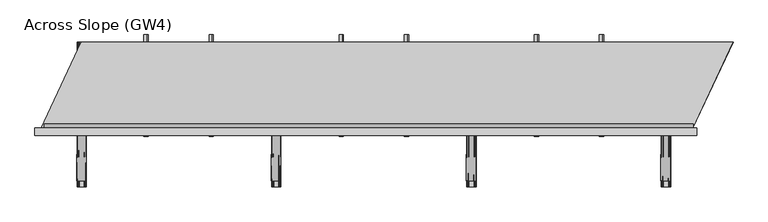
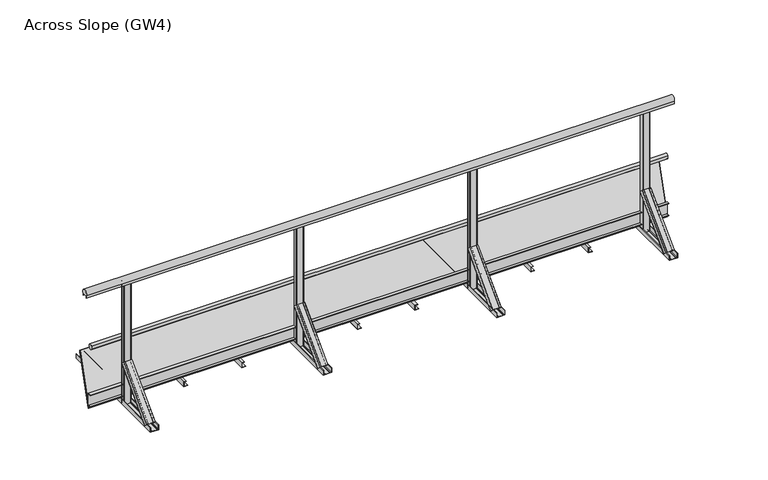
"""IFC4 building model written with IfcOpenShell, lengths in millimetres: proxy geometry, Across Slope (GW4)."""

from ifc_helpers import new_model, si_unit, point, frame, frame_2d, origin, origin_with_axes, place, context, project, spatial, polyline, circle_curve, trimmed, segment, composite_curve, outline, extrude, source, transform, mapped, element, save
from ifc_brep_helpers import plane_surface, extruded_surface, advanced_brep


def across_slope_gw4_910c336f(model_context):
    return source(origin(), model_context, "Body", "SolidModel", [
        extrude(outline(polyline([(-622.0, 63.0), (-622.0, 66.0), (-600.0, 66.0), (-600.0, 160.0), (-622.0, 160.0), (-622.0, 163.0), (-597.0, 163.0), (-597.0, 63.0), (-622.0, 63.0)])), frame((0.0, 0.0, 0.0), z_axis=(1.0, 0.0, 0.0), x_axis=(0.0, 1.0, 0.0)), (0.0, 0.0, 1.0), 4489.1400263),
        extrude(outline(polyline([(2e-07, 3878.0133567), (2.0000002, 3878.0133567), (2.0000002, 3850.0133567), (38.0000002, 3850.0133567), (38.0000002, 3868.0133567), (40.0000002, 3868.0133567), (40.0000002, 3848.0133567), (2e-07, 3848.0133567), (2e-07, 3878.0133567)])), frame((0.0, -650.0, 0.0), z_axis=(0.0, 1.0, 0.0), x_axis=(0.0, 0.0, 1.0)), (0.0, 0.0, 1.0), 700.0),
        extrude(outline(polyline([(2e-07, 3429.8866871), (2.0000002, 3429.8866871), (2.0000002, 3401.8866871), (38.0000002, 3401.8866871), (38.0000002, 3419.8866871), (40.0000002, 3419.8866871), (40.0000002, 3399.8866871), (2e-07, 3399.8866871), (2e-07, 3429.8866871)])), frame((0.0, -650.0, 0.0), z_axis=(0.0, 1.0, 0.0), x_axis=(0.0, 0.0, 1.0)), (0.0, 0.0, 1.0), 700.0),
        extrude(outline(composite_curve([segment(trimmed(circle_curve(frame_2d((-584.287505, 528.0)), 20.0), [point((-565.7, 520.617273))], [point((-600.0, 515.6259343))], False, "CARTESIAN"), True, "CONTINUOUS"), segment(polyline([(-600.0, 515.6259343), (-600.0, 540.3740657)]), True, "CONTINUOUS"), segment(trimmed(circle_curve(frame_2d((-584.287505, 528.0)), 20.0), [point((-600.0, 540.3740657))], [point((-565.7, 535.382727))], False, "CARTESIAN"), True, "CONTINUOUS"), segment(polyline([(-565.7, 535.382727), (-569.7, 535.382727), (-569.7, 520.617273), (-565.7, 520.617273)]), True, "CONTINUOUS")], self_intersect=False)), frame((25.0, 0.0, 0.0), z_axis=(1.0, 0.0, 0.0), x_axis=(0.0, 1.0, 0.0)), (0.0, 0.0, 1.0), 4469.1400263),
        extrude(outline(composite_curve([segment(trimmed(circle_curve(frame_2d((-619.0, 1015.0)), 25.0), [point((-640.0, 1001.43534))], [point((-598.0, 1001.43534))], False, "CARTESIAN"), True, "CONTINUOUS"), segment(polyline([(-598.0, 1001.43534), (-598.0, 983.0), (-599.0, 983.0), (-599.0, 998.0), (-639.0, 998.0), (-639.0, 983.0), (-640.0, 983.0), (-640.0, 1001.43534)]), True, "CONTINUOUS")], self_intersect=False)), frame((-40.0, 0.0, 0.0), z_axis=(1.0, 0.0, 0.0), x_axis=(0.0, 1.0, 0.0)), (0.0, 0.0, 1.0), 4559.1400263),
        extrude(outline(polyline([(2e-07, 2533.6333479), (2.0000002, 2533.6333479), (2.0000002, 2505.6333479), (38.0000002, 2505.6333479), (38.0000002, 2523.6333479), (40.0000002, 2523.6333479), (40.0000002, 2503.6333479), (2e-07, 2503.6333479), (2e-07, 2533.6333479)])), frame((0.0, -650.0, 0.0), z_axis=(0.0, 1.0, 0.0), x_axis=(0.0, 0.0, 1.0)), (0.0, 0.0, 1.0), 700.0),
        extrude(outline(polyline([(2e-07, 2085.5066783), (2.0000002, 2085.5066783), (2.0000002, 2057.5066783), (38.0000002, 2057.5066783), (38.0000002, 2075.5066783), (40.0000002, 2075.5066783), (40.0000002, 2055.5066783), (2e-07, 2055.5066783), (2e-07, 2085.5066783)])), frame((0.0, -650.0, 0.0), z_axis=(0.0, 1.0, 0.0), x_axis=(0.0, 0.0, 1.0)), (0.0, 0.0, 1.0), 700.0),
        extrude(outline(polyline([(2e-07, 1189.2533392), (2.0000002, 1189.2533392), (2.0000002, 1161.2533392), (38.0000002, 1161.2533392), (38.0000002, 1179.2533392), (40.0000002, 1179.2533392), (40.0000002, 1159.2533392), (2e-07, 1159.2533392), (2e-07, 1189.2533392)])), frame((0.0, -650.0, 0.0), z_axis=(0.0, 1.0, 0.0), x_axis=(0.0, 0.0, 1.0)), (0.0, 0.0, 1.0), 700.0),
        extrude(outline(polyline([(2e-07, 741.1266696), (2.0000002, 741.1266696), (2.0000002, 713.1266696), (38.0000002, 713.1266696), (38.0000002, 731.1266696), (40.0000002, 731.1266696), (40.0000002, 711.1266696), (2e-07, 711.1266696), (2e-07, 741.1266696)])), frame((0.0, -650.0, 0.0), z_axis=(0.0, 1.0, 0.0), x_axis=(0.0, 0.0, 1.0)), (0.0, 0.0, 1.0), 700.0),
        extrude(outline(composite_curve([segment(trimmed(circle_curve(frame_2d((2989.7600175, -605.0)), 5.0), [point((2989.7600175, -600.0))], [point((2994.7600175, -605.0))], False, "CARTESIAN"), True, "CONTINUOUS"), segment(polyline([(2994.7600175, -605.0), (2994.7600175, -633.0)]), True, "CONTINUOUS"), segment(trimmed(circle_curve(frame_2d((2989.7600175, -633.0)), 5.0), [point((2994.7600175, -633.0))], [point((2989.7600175, -638.0))], False, "CARTESIAN"), True, "CONTINUOUS"), segment(polyline([(2989.7600175, -638.0), (2943.7600175, -638.0)]), True, "CONTINUOUS"), segment(trimmed(circle_curve(frame_2d((2943.7600175, -633.0)), 5.0), [point((2943.7600175, -638.0))], [point((2938.7600175, -633.0))], False, "CARTESIAN"), True, "CONTINUOUS"), segment(polyline([(2938.7600175, -633.0), (2938.7600175, -605.0)]), True, "CONTINUOUS"), segment(trimmed(circle_curve(frame_2d((2943.7600175, -605.0)), 5.0), [point((2938.7600175, -605.0))], [point((2943.7600175, -600.0))], False, "CARTESIAN"), True, "CONTINUOUS"), segment(polyline([(2943.7600175, -600.0), (2989.7600175, -600.0)]), True, "CONTINUOUS")], self_intersect=False)), frame((0.0, 0.0, 2e-07), z_axis=(0.0, 0.0, 1.0), x_axis=(1.0, 0.0, 0.0)), (0.0, 0.0, 1.0), 998.0),
        advanced_brep(
        [(2931.2600175, -956.2087394, 38.0000002), (2931.2600175, -930.3993419, 12.1906027), (2934.2600175, -930.3993419, 12.1906027), (2934.2600175, -954.0874191, 35.8786799), (2944.2600175, -954.0874191, 35.8786799), (2944.2600175, -952.3196521, 34.110913), (2945.2600175, -952.3196521, 34.110913), (2945.2600175, -954.0874191, 35.8786799), (2982.2600175, -954.0874191, 35.8786799), (2982.2600175, -952.3196521, 34.110913), (2983.2600175, -952.3196521, 34.110913), (2983.2600175, -954.0874191, 35.8786799), (2993.2600175, -954.0874191, 35.8786799), (2993.2600175, -930.3993419, 12.1906027), (2996.2600175, -930.3993419, 12.1906027), (2996.2600175, -956.2087394, 38.0000002), (2934.2600175, -638.0106879, 356.1980518), (2999.2600175, -638.0106879, 356.1980518), (2999.2600175, -612.2012904, 330.3886543), (2996.2600175, -612.2012904, 330.3886543), (2996.2600175, -635.8893676, 354.0767314), (2986.2600175, -635.8893676, 354.0767314), (2986.2600175, -634.1216006, 352.3089645), (2985.2600175, -634.1216006, 352.3089645), (2985.2600175, -635.8893676, 354.0767314), (2948.2600175, -635.8893676, 354.0767314), (2948.2600175, -634.1216006, 352.3089645), (2947.2600175, -634.1216006, 352.3089645), (2947.2600175, -635.8893676, 354.0767314), (2937.2600175, -635.8893676, 354.0767314), (2937.2600175, -612.2012904, 330.3886543), (2934.2600175, -612.2012904, 330.3886543)],
        [
            (0, 1),
            (1, 2, circle_curve(frame((2932.7600175, -930.3993419, 12.1906027), z_axis=(0.0, -0.7071067811865434, -0.7071067811865518), x_axis=(0.0, 0.7071067811865518, -0.7071067811865434)), 1.5)),
            (2, 3),
            (3, 4),
            (4, 5),
            (5, 6, circle_curve(frame((2944.7600175, -952.3196521, 34.110913), z_axis=(0.0, -0.7071067811865434, -0.7071067811865518), x_axis=(0.0, 0.7071067811865518, -0.7071067811865434)), 0.5)),
            (6, 7),
            (7, 8),
            (8, 9),
            (9, 10, circle_curve(frame((2982.7600175, -952.3196521, 34.110913), z_axis=(0.0, -0.7071067811865434, -0.7071067811865518), x_axis=(0.0, 0.7071067811865518, -0.7071067811865434)), 0.5)),
            (10, 11),
            (11, 12),
            (12, 13),
            (13, 14, circle_curve(frame((2994.7600175, -930.3993419, 12.1906027), z_axis=(0.0, -0.7071067811865434, -0.7071067811865518), x_axis=(0.0, 0.7071067811865518, -0.7071067811865434)), 1.5)),
            (14, 15),
            (15, 0),
            (16, 17),
            (17, 18),
            (18, 19, circle_curve(frame((2997.7600175, -612.2012904, 330.3886543), z_axis=(0.0, 0.7071067811865434, 0.7071067811865518), x_axis=(0.0, 0.7071067811865518, -0.7071067811865434)), 1.5)),
            (19, 20),
            (20, 21),
            (21, 22),
            (22, 23, circle_curve(frame((2985.7600175, -634.1216006, 352.3089645), z_axis=(0.0, 0.7071067811865434, 0.7071067811865518), x_axis=(0.0, 0.7071067811865518, -0.7071067811865434)), 0.5)),
            (23, 24),
            (24, 25),
            (25, 26),
            (26, 27, circle_curve(frame((2947.7600175, -634.1216006, 352.3089645), z_axis=(0.0, 0.7071067811865434, 0.7071067811865518), x_axis=(0.0, 0.7071067811865518, -0.7071067811865434)), 0.5)),
            (27, 28),
            (28, 29),
            (29, 30),
            (30, 31, circle_curve(frame((2935.7600175, -612.2012904, 330.3886543), z_axis=(0.0, 0.7071067811865434, 0.7071067811865518), x_axis=(0.0, 0.7071067811865518, -0.7071067811865434)), 1.5)),
            (31, 16),
            (31, 1),
            (0, 16),
            (30, 2),
            (29, 3),
            (28, 4),
            (27, 5),
            (26, 6),
            (25, 7),
            (24, 8),
            (23, 9),
            (22, 10),
            (21, 11),
            (20, 12),
            (19, 13),
            (18, 14),
            (17, 15),
        ],
        [
            plane_surface(frame((2963.7600175, -947.9886231, 29.7798839), z_axis=(0.0, -0.7071067811865431, -0.7071067811865519), x_axis=(0.0, 0.7071067811865519, -0.7071067811865431))),
            plane_surface(frame((2966.7600175, -629.7905716, 347.9779354), z_axis=(0.0, 0.7071067811865432, 0.7071067811865518), x_axis=(0.0, 0.7071067811865518, -0.7071067811865432))),
            plane_surface(frame((2934.2600175, -625.1059891, 343.293353), z_axis=(-0.9999777785184911, 0.004713940454842056, 0.00471394045484199), x_axis=(0.0, 0.7071067811865519, -0.7071067811865431))),
            extruded_surface(trimmed(circle_curve(frame((2935.7600175, -612.2012904, 330.3886543), z_axis=(0.0, -0.7071067811865434, -0.7071067811865518), x_axis=(0.0, 0.7071067811865518, -0.7071067811865434)), 1.5), [point((2934.2600175, -612.2012904, 330.3886543))], [point((2937.2600175, -612.2012904, 330.3886543))], True, "CARTESIAN"), (-3.0, -318.1980515, -318.1980516), 450.0099999115941),
            plane_surface(frame((2937.2600175, -624.045329, 342.2326929), z_axis=(0.9999777785184913, -0.004713940454842056, -0.004713940454841989), x_axis=(0.0, -0.707106781186552, 0.7071067811865432))),
            plane_surface(frame((2942.2600175, -635.8893676, 354.0767314), z_axis=(0.0, 0.7071067811865522, -0.7071067811865428), x_axis=(1.0, 0.0, 0.0))),
            plane_surface(frame((2947.2600175, -635.0054841, 353.192848), z_axis=(-0.9999777785184911, 0.004713940454842032, 0.004713940454842015), x_axis=(0.0, 0.7071067811865557, -0.7071067811865394))),
            extruded_surface(trimmed(circle_curve(frame((2947.7600175, -634.1216006, 352.3089645), z_axis=(0.0, -0.7071067811865434, -0.7071067811865518), x_axis=(0.0, 0.7071067811865518, -0.7071067811865434)), 0.5), [point((2947.2600175, -634.1216006, 352.3089645))], [point((2948.2600175, -634.1216006, 352.3089645))], True, "CARTESIAN"), (-3.0, -318.1980515, -318.1980515), 450.00999984088503),
            plane_surface(frame((2948.2600175, -635.0054841, 353.192848), z_axis=(0.9999777785184911, -0.004713940454842046, -0.004713940454842029), x_axis=(0.0, -0.7071067811865557, 0.7071067811865394))),
            plane_surface(frame((2966.7600175, -635.8893676, 354.0767314), z_axis=(0.0, 0.7071067811865522, -0.7071067811865428), x_axis=(1.0, 0.0, 0.0))),
            plane_surface(frame((2985.2600175, -635.0054841, 353.192848), z_axis=(-0.9999777785184911, 0.004713940454842039, 0.004713940454842022), x_axis=(0.0, 0.7071067811865557, -0.7071067811865394))),
            extruded_surface(trimmed(circle_curve(frame((2985.7600175, -634.1216006, 352.3089645), z_axis=(0.0, -0.7071067811865434, -0.7071067811865518), x_axis=(0.0, 0.7071067811865518, -0.7071067811865434)), 0.5), [point((2985.2600175, -634.1216006, 352.3089645))], [point((2986.2600175, -634.1216006, 352.3089645))], True, "CARTESIAN"), (-3.0, -318.1980515, -318.1980515), 450.00999984088503),
            plane_surface(frame((2986.2600175, -635.0054841, 353.192848), z_axis=(0.9999777785184911, -0.004713940454842066, -0.004713940454841993), x_axis=(0.0, -0.7071067811865515, 0.7071067811865436))),
            plane_surface(frame((2991.2600175, -635.8893676, 354.0767314), z_axis=(0.0, 0.707106781186552, -0.707106781186543), x_axis=(1.0, 0.0, 0.0))),
            plane_surface(frame((2996.2600175, -624.045329, 342.2326929), z_axis=(-0.9999777785184913, 0.004713940454842063, 0.004713940454841996), x_axis=(0.0, 0.707106781186552, -0.7071067811865432))),
            extruded_surface(trimmed(circle_curve(frame((2997.7600175, -612.2012904, 330.3886543), z_axis=(0.0, -0.7071067811865434, -0.7071067811865518), x_axis=(0.0, 0.7071067811865518, -0.7071067811865434)), 1.5), [point((2996.2600175, -612.2012904, 330.3886543))], [point((2999.2600175, -612.2012904, 330.3886543))], True, "CARTESIAN"), (-3.0, -318.1980515, -318.1980516), 450.0099999115941),
            plane_surface(frame((2999.2600175, -625.1059891, 343.293353), z_axis=(0.9999777785184911, -0.004713940454842065, -0.0047139404548419955), x_axis=(0.0, -0.7071067811865517, 0.7071067811865434))),
            plane_surface(frame((2966.7600175, -638.0106879, 356.1980518), z_axis=(0.0, -0.7071067811865523, 0.7071067811865427), x_axis=(-1.0, 0.0, 0.0))),
        ],
        [
            (0, [[1, 2, 3, 4, 5, 6, 7, 8, 9, 10, 11, 12, 13, 14, 15, 16]]),
            (1, [[17, 18, 19, 20, 21, 22, 23, 24, 25, 26, 27, 28, 29, 30, 31, 32]]),
            (2, [[-32, 33, -1, 34]]),
            (3, [[-31, 35, -2, -33]]),
            (4, [[-30, 36, -3, -35]]),
            (5, [[-29, 37, -4, -36]]),
            (6, [[-28, 38, -5, -37]]),
            (7, [[-27, 39, -6, -38]]),
            (8, [[-26, 40, -7, -39]]),
            (9, [[-25, 41, -8, -40]]),
            (10, [[-24, 42, -9, -41]]),
            (11, [[-23, 43, -10, -42]]),
            (12, [[-22, 44, -11, -43]]),
            (13, [[-21, 45, -12, -44]]),
            (14, [[-20, 46, -13, -45]]),
            (15, [[-19, 47, -14, -46]]),
            (16, [[-18, 48, -15, -47]]),
            (17, [[-17, -34, -16, -48]]),
        ],
    ),
        extrude(outline(composite_curve([segment(polyline([(2e-07, 2934.2600175), (2e-07, 2999.2600175), (36.5000002, 2999.2600175)]), True, "CONTINUOUS"), segment(trimmed(circle_curve(frame_2d((36.5000002, 2997.7600175)), 1.5), [point((36.5000002, 2999.2600175))], [point((36.5000002, 2996.2600175))], False, "CARTESIAN"), True, "CONTINUOUS"), segment(polyline([(36.5000002, 2996.2600175), (3.0000002, 2996.2600175), (3.0000002, 2986.2600175), (5.5000002, 2986.2600175)]), True, "CONTINUOUS"), segment(trimmed(circle_curve(frame_2d((5.5000002, 2985.7600175)), 0.5), [point((5.5000002, 2986.2600175))], [point((5.5000002, 2985.2600175))], False, "CARTESIAN"), True, "CONTINUOUS"), segment(polyline([(5.5000002, 2985.2600175), (3.0000002, 2985.2600175), (3.0000002, 2948.2600175), (5.5000002, 2948.2600175)]), True, "CONTINUOUS"), segment(trimmed(circle_curve(frame_2d((5.5000002, 2947.7600175)), 0.5), [point((5.5000002, 2948.2600175))], [point((5.5000002, 2947.2600175))], False, "CARTESIAN"), True, "CONTINUOUS"), segment(polyline([(5.5000002, 2947.2600175), (3.0000002, 2947.2600175), (3.0000002, 2937.2600175), (36.5000002, 2937.2600175)]), True, "CONTINUOUS"), segment(trimmed(circle_curve(frame_2d((36.5000002, 2935.7600175)), 1.5), [point((36.5000002, 2937.2600175))], [point((36.5000002, 2934.2600175))], False, "CARTESIAN"), True, "CONTINUOUS"), segment(polyline([(36.5000002, 2934.2600175), (2e-07, 2934.2600175)]), True, "CONTINUOUS")], self_intersect=False)), frame((0.0, -1000.0, 0.0), z_axis=(0.0, 1.0, 0.0), x_axis=(0.0, 0.0, 1.0)), (0.0, 0.0, 1.0), 1000.0),
        extrude(outline(composite_curve([segment(trimmed(circle_curve(frame_2d((1645.3800088, -605.0)), 5.0), [point((1645.3800088, -600.0))], [point((1650.3800088, -605.0))], False, "CARTESIAN"), True, "CONTINUOUS"), segment(polyline([(1650.3800088, -605.0), (1650.3800088, -633.0)]), True, "CONTINUOUS"), segment(trimmed(circle_curve(frame_2d((1645.3800088, -633.0)), 5.0), [point((1650.3800088, -633.0))], [point((1645.3800088, -638.0))], False, "CARTESIAN"), True, "CONTINUOUS"), segment(polyline([(1645.3800088, -638.0), (1599.3800088, -638.0)]), True, "CONTINUOUS"), segment(trimmed(circle_curve(frame_2d((1599.3800088, -633.0)), 5.0), [point((1599.3800088, -638.0))], [point((1594.3800088, -633.0))], False, "CARTESIAN"), True, "CONTINUOUS"), segment(polyline([(1594.3800088, -633.0), (1594.3800088, -605.0)]), True, "CONTINUOUS"), segment(trimmed(circle_curve(frame_2d((1599.3800088, -605.0)), 5.0), [point((1594.3800088, -605.0))], [point((1599.3800088, -600.0))], False, "CARTESIAN"), True, "CONTINUOUS"), segment(polyline([(1599.3800088, -600.0), (1645.3800088, -600.0)]), True, "CONTINUOUS")], self_intersect=False)), frame((0.0, 0.0, 2e-07), z_axis=(0.0, 0.0, 1.0), x_axis=(1.0, 0.0, 0.0)), (0.0, 0.0, 1.0), 998.0),
        advanced_brep(
        [(1586.8800088, -956.2087394, 38.0000002), (1586.8800088, -930.3993419, 12.1906027), (1589.8800088, -930.3993419, 12.1906027), (1589.8800088, -954.0874191, 35.8786799), (1599.8800088, -954.0874191, 35.8786799), (1599.8800088, -952.3196521, 34.110913), (1600.8800088, -952.3196521, 34.110913), (1600.8800088, -954.0874191, 35.8786799), (1637.8800088, -954.0874191, 35.8786799), (1637.8800088, -952.3196521, 34.110913), (1638.8800088, -952.3196521, 34.110913), (1638.8800088, -954.0874191, 35.8786799), (1648.8800088, -954.0874191, 35.8786799), (1648.8800088, -930.3993419, 12.1906027), (1651.8800088, -930.3993419, 12.1906027), (1651.8800088, -956.2087394, 38.0000002), (1589.8800088, -638.0106879, 356.1980518), (1654.8800088, -638.0106879, 356.1980518), (1654.8800088, -612.2012904, 330.3886543), (1651.8800088, -612.2012904, 330.3886543), (1651.8800088, -635.8893676, 354.0767314), (1641.8800088, -635.8893676, 354.0767314), (1641.8800088, -634.1216006, 352.3089645), (1640.8800088, -634.1216006, 352.3089645), (1640.8800088, -635.8893676, 354.0767314), (1603.8800088, -635.8893676, 354.0767314), (1603.8800088, -634.1216006, 352.3089645), (1602.8800088, -634.1216006, 352.3089645), (1602.8800088, -635.8893676, 354.0767314), (1592.8800088, -635.8893676, 354.0767314), (1592.8800088, -612.2012904, 330.3886543), (1589.8800088, -612.2012904, 330.3886543)],
        [
            (0, 1),
            (1, 2, circle_curve(frame((1588.3800088, -930.3993419, 12.1906027), z_axis=(0.0, -0.7071067811865434, -0.7071067811865518), x_axis=(0.0, 0.7071067811865518, -0.7071067811865434)), 1.5)),
            (2, 3),
            (3, 4),
            (4, 5),
            (5, 6, circle_curve(frame((1600.3800088, -952.3196521, 34.110913), z_axis=(0.0, -0.7071067811865434, -0.7071067811865518), x_axis=(0.0, 0.7071067811865518, -0.7071067811865434)), 0.5)),
            (6, 7),
            (7, 8),
            (8, 9),
            (9, 10, circle_curve(frame((1638.3800088, -952.3196521, 34.110913), z_axis=(0.0, -0.7071067811865434, -0.7071067811865518), x_axis=(0.0, 0.7071067811865518, -0.7071067811865434)), 0.5)),
            (10, 11),
            (11, 12),
            (12, 13),
            (13, 14, circle_curve(frame((1650.3800088, -930.3993419, 12.1906027), z_axis=(0.0, -0.7071067811865434, -0.7071067811865518), x_axis=(0.0, 0.7071067811865518, -0.7071067811865434)), 1.5)),
            (14, 15),
            (15, 0),
            (16, 17),
            (17, 18),
            (18, 19, circle_curve(frame((1653.3800088, -612.2012904, 330.3886543), z_axis=(0.0, 0.7071067811865434, 0.7071067811865518), x_axis=(0.0, 0.7071067811865518, -0.7071067811865434)), 1.5)),
            (19, 20),
            (20, 21),
            (21, 22),
            (22, 23, circle_curve(frame((1641.3800088, -634.1216006, 352.3089645), z_axis=(0.0, 0.7071067811865434, 0.7071067811865518), x_axis=(0.0, 0.7071067811865518, -0.7071067811865434)), 0.5)),
            (23, 24),
            (24, 25),
            (25, 26),
            (26, 27, circle_curve(frame((1603.3800088, -634.1216006, 352.3089645), z_axis=(0.0, 0.7071067811865434, 0.7071067811865518), x_axis=(0.0, 0.7071067811865518, -0.7071067811865434)), 0.5)),
            (27, 28),
            (28, 29),
            (29, 30),
            (30, 31, circle_curve(frame((1591.3800088, -612.2012904, 330.3886543), z_axis=(0.0, 0.7071067811865434, 0.7071067811865518), x_axis=(0.0, 0.7071067811865518, -0.7071067811865434)), 1.5)),
            (31, 16),
            (31, 1),
            (0, 16),
            (30, 2),
            (29, 3),
            (28, 4),
            (27, 5),
            (26, 6),
            (25, 7),
            (24, 8),
            (23, 9),
            (22, 10),
            (21, 11),
            (20, 12),
            (19, 13),
            (18, 14),
            (17, 15),
        ],
        [
            plane_surface(frame((1619.3800088, -947.9886231, 29.7798839), z_axis=(0.0, -0.7071067811865431, -0.7071067811865519), x_axis=(0.0, 0.7071067811865519, -0.7071067811865431))),
            plane_surface(frame((1622.3800088, -629.7905716, 347.9779354), z_axis=(0.0, 0.7071067811865432, 0.7071067811865518), x_axis=(0.0, 0.7071067811865518, -0.7071067811865432))),
            plane_surface(frame((1589.8800088, -625.1059891, 343.293353), z_axis=(-0.9999777785184911, 0.004713940454842056, 0.00471394045484199), x_axis=(0.0, 0.7071067811865519, -0.7071067811865431))),
            extruded_surface(trimmed(circle_curve(frame((1591.3800088, -612.2012904, 330.3886543), z_axis=(0.0, -0.7071067811865434, -0.7071067811865518), x_axis=(0.0, 0.7071067811865518, -0.7071067811865434)), 1.5), [point((1589.8800088, -612.2012904, 330.3886543))], [point((1592.8800088, -612.2012904, 330.3886543))], True, "CARTESIAN"), (-3.0, -318.1980515, -318.1980516), 450.0099999115941),
            plane_surface(frame((1592.8800088, -624.045329, 342.2326929), z_axis=(0.9999777785184913, -0.004713940454842056, -0.004713940454841989), x_axis=(0.0, -0.707106781186552, 0.7071067811865432))),
            plane_surface(frame((1597.8800088, -635.8893676, 354.0767314), z_axis=(0.0, 0.7071067811865522, -0.7071067811865428), x_axis=(1.0, 0.0, 0.0))),
            plane_surface(frame((1602.8800088, -635.0054841, 353.192848), z_axis=(-0.9999777785184911, 0.004713940454842032, 0.004713940454842015), x_axis=(0.0, 0.7071067811865557, -0.7071067811865394))),
            extruded_surface(trimmed(circle_curve(frame((1603.3800088, -634.1216006, 352.3089645), z_axis=(0.0, -0.7071067811865434, -0.7071067811865518), x_axis=(0.0, 0.7071067811865518, -0.7071067811865434)), 0.5), [point((1602.8800088, -634.1216006, 352.3089645))], [point((1603.8800088, -634.1216006, 352.3089645))], True, "CARTESIAN"), (-3.0, -318.1980515, -318.1980515), 450.00999984088503),
            plane_surface(frame((1603.8800088, -635.0054841, 353.192848), z_axis=(0.9999777785184911, -0.004713940454842046, -0.004713940454842029), x_axis=(0.0, -0.7071067811865557, 0.7071067811865394))),
            plane_surface(frame((1622.3800088, -635.8893676, 354.0767314), z_axis=(0.0, 0.7071067811865522, -0.7071067811865428), x_axis=(1.0, 0.0, 0.0))),
            plane_surface(frame((1640.8800088, -635.0054841, 353.192848), z_axis=(-0.9999777785184911, 0.004713940454842039, 0.004713940454842022), x_axis=(0.0, 0.7071067811865557, -0.7071067811865394))),
            extruded_surface(trimmed(circle_curve(frame((1641.3800088, -634.1216006, 352.3089645), z_axis=(0.0, -0.7071067811865434, -0.7071067811865518), x_axis=(0.0, 0.7071067811865518, -0.7071067811865434)), 0.5), [point((1640.8800088, -634.1216006, 352.3089645))], [point((1641.8800088, -634.1216006, 352.3089645))], True, "CARTESIAN"), (-3.0, -318.1980515, -318.1980515), 450.00999984088503),
            plane_surface(frame((1641.8800088, -635.0054841, 353.192848), z_axis=(0.9999777785184911, -0.004713940454842066, -0.004713940454841993), x_axis=(0.0, -0.7071067811865515, 0.7071067811865436))),
            plane_surface(frame((1646.8800088, -635.8893676, 354.0767314), z_axis=(0.0, 0.707106781186552, -0.707106781186543), x_axis=(1.0, 0.0, 0.0))),
            plane_surface(frame((1651.8800088, -624.045329, 342.2326929), z_axis=(-0.9999777785184913, 0.004713940454842063, 0.004713940454841996), x_axis=(0.0, 0.707106781186552, -0.7071067811865432))),
            extruded_surface(trimmed(circle_curve(frame((1653.3800088, -612.2012904, 330.3886543), z_axis=(0.0, -0.7071067811865434, -0.7071067811865518), x_axis=(0.0, 0.7071067811865518, -0.7071067811865434)), 1.5), [point((1651.8800088, -612.2012904, 330.3886543))], [point((1654.8800088, -612.2012904, 330.3886543))], True, "CARTESIAN"), (-3.0, -318.1980515, -318.1980516), 450.0099999115941),
            plane_surface(frame((1654.8800088, -625.1059891, 343.293353), z_axis=(0.9999777785184911, -0.004713940454842065, -0.0047139404548419955), x_axis=(0.0, -0.7071067811865517, 0.7071067811865434))),
            plane_surface(frame((1622.3800088, -638.0106879, 356.1980518), z_axis=(0.0, -0.7071067811865523, 0.7071067811865427), x_axis=(-1.0, 0.0, 0.0))),
        ],
        [
            (0, [[1, 2, 3, 4, 5, 6, 7, 8, 9, 10, 11, 12, 13, 14, 15, 16]]),
            (1, [[17, 18, 19, 20, 21, 22, 23, 24, 25, 26, 27, 28, 29, 30, 31, 32]]),
            (2, [[-32, 33, -1, 34]]),
            (3, [[-31, 35, -2, -33]]),
            (4, [[-30, 36, -3, -35]]),
            (5, [[-29, 37, -4, -36]]),
            (6, [[-28, 38, -5, -37]]),
            (7, [[-27, 39, -6, -38]]),
            (8, [[-26, 40, -7, -39]]),
            (9, [[-25, 41, -8, -40]]),
            (10, [[-24, 42, -9, -41]]),
            (11, [[-23, 43, -10, -42]]),
            (12, [[-22, 44, -11, -43]]),
            (13, [[-21, 45, -12, -44]]),
            (14, [[-20, 46, -13, -45]]),
            (15, [[-19, 47, -14, -46]]),
            (16, [[-18, 48, -15, -47]]),
            (17, [[-17, -34, -16, -48]]),
        ],
    ),
        extrude(outline(composite_curve([segment(polyline([(2e-07, 1589.8800088), (2e-07, 1654.8800088), (36.5000002, 1654.8800088)]), True, "CONTINUOUS"), segment(trimmed(circle_curve(frame_2d((36.5000002, 1653.3800088)), 1.5), [point((36.5000002, 1654.8800088))], [point((36.5000002, 1651.8800088))], False, "CARTESIAN"), True, "CONTINUOUS"), segment(polyline([(36.5000002, 1651.8800088), (3.0000002, 1651.8800088), (3.0000002, 1641.8800088), (5.5000002, 1641.8800088)]), True, "CONTINUOUS"), segment(trimmed(circle_curve(frame_2d((5.5000002, 1641.3800088)), 0.5), [point((5.5000002, 1641.8800088))], [point((5.5000002, 1640.8800088))], False, "CARTESIAN"), True, "CONTINUOUS"), segment(polyline([(5.5000002, 1640.8800088), (3.0000002, 1640.8800088), (3.0000002, 1603.8800088), (5.5000002, 1603.8800088)]), True, "CONTINUOUS"), segment(trimmed(circle_curve(frame_2d((5.5000002, 1603.3800088)), 0.5), [point((5.5000002, 1603.8800088))], [point((5.5000002, 1602.8800088))], False, "CARTESIAN"), True, "CONTINUOUS"), segment(polyline([(5.5000002, 1602.8800088), (3.0000002, 1602.8800088), (3.0000002, 1592.8800088), (36.5000002, 1592.8800088)]), True, "CONTINUOUS"), segment(trimmed(circle_curve(frame_2d((36.5000002, 1591.3800088)), 1.5), [point((36.5000002, 1592.8800088))], [point((36.5000002, 1589.8800088))], False, "CARTESIAN"), True, "CONTINUOUS"), segment(polyline([(36.5000002, 1589.8800088), (2e-07, 1589.8800088)]), True, "CONTINUOUS")], self_intersect=False)), frame((0.0, -1000.0, 0.0), z_axis=(0.0, 1.0, 0.0), x_axis=(0.0, 0.0, 1.0)), (0.0, 0.0, 1.0), 1000.0),
        extrude(outline(composite_curve([segment(trimmed(circle_curve(frame_2d((4329.6400263, -605.0)), 5.0), [point((4329.6400263, -600.0))], [point((4334.6400263, -605.0))], False, "CARTESIAN"), True, "CONTINUOUS"), segment(polyline([(4334.6400263, -605.0), (4334.6400263, -633.0)]), True, "CONTINUOUS"), segment(trimmed(circle_curve(frame_2d((4329.6400263, -633.0)), 5.0), [point((4334.6400263, -633.0))], [point((4329.6400263, -638.0))], False, "CARTESIAN"), True, "CONTINUOUS"), segment(polyline([(4329.6400263, -638.0), (4283.6400263, -638.0)]), True, "CONTINUOUS"), segment(trimmed(circle_curve(frame_2d((4283.6400263, -633.0)), 5.0), [point((4283.6400263, -638.0))], [point((4278.6400263, -633.0))], False, "CARTESIAN"), True, "CONTINUOUS"), segment(polyline([(4278.6400263, -633.0), (4278.6400263, -605.0)]), True, "CONTINUOUS"), segment(trimmed(circle_curve(frame_2d((4283.6400263, -605.0)), 5.0), [point((4278.6400263, -605.0))], [point((4283.6400263, -600.0))], False, "CARTESIAN"), True, "CONTINUOUS"), segment(polyline([(4283.6400263, -600.0), (4329.6400263, -600.0)]), True, "CONTINUOUS")], self_intersect=False)), origin_with_axes(), (0.0, 0.0, 1.0), 998.0),
        advanced_brep(
        [(4271.1400263, -956.2087394, 38.0), (4271.1400263, -930.3993419, 12.1906025), (4274.1400263, -930.3993419, 12.1906025), (4274.1400263, -954.0874191, 35.8786797), (4284.1400263, -954.0874191, 35.8786797), (4284.1400263, -952.3196521, 34.1109127), (4285.1400263, -952.3196521, 34.1109127), (4285.1400263, -954.0874191, 35.8786797), (4322.1400263, -954.0874191, 35.8786797), (4322.1400263, -952.3196521, 34.1109127), (4323.1400263, -952.3196521, 34.1109127), (4323.1400263, -954.0874191, 35.8786797), (4333.1400263, -954.0874191, 35.8786797), (4333.1400263, -930.3993419, 12.1906025), (4336.1400263, -930.3993419, 12.1906025), (4336.1400263, -956.2087394, 38.0), (4274.1400263, -638.0106879, 356.1980516), (4339.1400263, -638.0106879, 356.1980516), (4339.1400263, -612.2012904, 330.3886541), (4336.1400263, -612.2012904, 330.3886541), (4336.1400263, -635.8893676, 354.0767312), (4326.1400263, -635.8893676, 354.0767312), (4326.1400263, -634.1216006, 352.3089643), (4325.1400263, -634.1216006, 352.3089643), (4325.1400263, -635.8893676, 354.0767312), (4288.1400263, -635.8893676, 354.0767312), (4288.1400263, -634.1216006, 352.3089643), (4287.1400263, -634.1216006, 352.3089643), (4287.1400263, -635.8893676, 354.0767312), (4277.1400263, -635.8893676, 354.0767312), (4277.1400263, -612.2012904, 330.3886541), (4274.1400263, -612.2012904, 330.3886541)],
        [
            (0, 1),
            (1, 2, circle_curve(frame((4272.6400263, -930.3993419, 12.1906025), z_axis=(0.0, -0.7071067811865434, -0.7071067811865518), x_axis=(0.0, 0.7071067811865518, -0.7071067811865434)), 1.5)),
            (2, 3),
            (3, 4),
            (4, 5),
            (5, 6, circle_curve(frame((4284.6400263, -952.3196521, 34.1109127), z_axis=(0.0, -0.7071067811865434, -0.7071067811865518), x_axis=(0.0, 0.7071067811865518, -0.7071067811865434)), 0.5)),
            (6, 7),
            (7, 8),
            (8, 9),
            (9, 10, circle_curve(frame((4322.6400263, -952.3196521, 34.1109127), z_axis=(0.0, -0.7071067811865434, -0.7071067811865518), x_axis=(0.0, 0.7071067811865518, -0.7071067811865434)), 0.5)),
            (10, 11),
            (11, 12),
            (12, 13),
            (13, 14, circle_curve(frame((4334.6400263, -930.3993419, 12.1906025), z_axis=(0.0, -0.7071067811865434, -0.7071067811865518), x_axis=(0.0, 0.7071067811865518, -0.7071067811865434)), 1.5)),
            (14, 15),
            (15, 0),
            (16, 17),
            (17, 18),
            (18, 19, circle_curve(frame((4337.6400263, -612.2012904, 330.3886541), z_axis=(0.0, 0.7071067811865434, 0.7071067811865518), x_axis=(0.0, 0.7071067811865518, -0.7071067811865434)), 1.5)),
            (19, 20),
            (20, 21),
            (21, 22),
            (22, 23, circle_curve(frame((4325.6400263, -634.1216006, 352.3089643), z_axis=(0.0, 0.7071067811865434, 0.7071067811865518), x_axis=(0.0, 0.7071067811865518, -0.7071067811865434)), 0.5)),
            (23, 24),
            (24, 25),
            (25, 26),
            (26, 27, circle_curve(frame((4287.6400263, -634.1216006, 352.3089643), z_axis=(0.0, 0.7071067811865434, 0.7071067811865518), x_axis=(0.0, 0.7071067811865518, -0.7071067811865434)), 0.5)),
            (27, 28),
            (28, 29),
            (29, 30),
            (30, 31, circle_curve(frame((4275.6400263, -612.2012904, 330.3886541), z_axis=(0.0, 0.7071067811865434, 0.7071067811865518), x_axis=(0.0, 0.7071067811865518, -0.7071067811865434)), 1.5)),
            (31, 16),
            (31, 1),
            (0, 16),
            (30, 2),
            (29, 3),
            (28, 4),
            (27, 5),
            (26, 6),
            (25, 7),
            (24, 8),
            (23, 9),
            (22, 10),
            (21, 11),
            (20, 12),
            (19, 13),
            (18, 14),
            (17, 15),
        ],
        [
            plane_surface(frame((4303.6400263, -947.9886231, 29.7798837), z_axis=(0.0, -0.7071067811865431, -0.7071067811865519), x_axis=(0.0, 0.7071067811865519, -0.7071067811865431))),
            plane_surface(frame((4306.6400263, -629.7905716, 347.9779352), z_axis=(0.0, 0.7071067811865432, 0.7071067811865518), x_axis=(0.0, 0.7071067811865518, -0.7071067811865432))),
            plane_surface(frame((4274.1400263, -625.1059891, 343.2933528), z_axis=(-0.9999777785184911, 0.004713940454842056, 0.00471394045484199), x_axis=(0.0, 0.7071067811865519, -0.7071067811865431))),
            extruded_surface(trimmed(circle_curve(frame((4275.6400263, -612.2012904, 330.3886541), z_axis=(0.0, -0.7071067811865434, -0.7071067811865518), x_axis=(0.0, 0.7071067811865518, -0.7071067811865434)), 1.5), [point((4274.1400263, -612.2012904, 330.3886541))], [point((4277.1400263, -612.2012904, 330.3886541))], True, "CARTESIAN"), (-3.0, -318.1980515, -318.1980516), 450.0099999115941),
            plane_surface(frame((4277.1400263, -624.045329, 342.2326926), z_axis=(0.9999777785184913, -0.004713940454842056, -0.004713940454841989), x_axis=(0.0, -0.707106781186552, 0.7071067811865432))),
            plane_surface(frame((4282.1400263, -635.8893676, 354.0767312), z_axis=(0.0, 0.7071067811865522, -0.7071067811865428), x_axis=(1.0, 0.0, 0.0))),
            plane_surface(frame((4287.1400263, -635.0054841, 353.1928478), z_axis=(-0.9999777785184911, 0.004713940454842032, 0.004713940454842015), x_axis=(0.0, 0.7071067811865557, -0.7071067811865394))),
            extruded_surface(trimmed(circle_curve(frame((4287.6400263, -634.1216006, 352.3089643), z_axis=(0.0, -0.7071067811865434, -0.7071067811865518), x_axis=(0.0, 0.7071067811865518, -0.7071067811865434)), 0.5), [point((4287.1400263, -634.1216006, 352.3089643))], [point((4288.1400263, -634.1216006, 352.3089643))], True, "CARTESIAN"), (-3.0, -318.1980515, -318.1980516), 450.0099999115941),
            plane_surface(frame((4288.1400263, -635.0054841, 353.1928478), z_axis=(0.9999777785184911, -0.004713940454842046, -0.004713940454842029), x_axis=(0.0, -0.7071067811865557, 0.7071067811865394))),
            plane_surface(frame((4306.6400263, -635.8893676, 354.0767312), z_axis=(0.0, 0.7071067811865522, -0.7071067811865428), x_axis=(1.0, 0.0, 0.0))),
            plane_surface(frame((4325.1400263, -635.0054841, 353.1928478), z_axis=(-0.9999777785184911, 0.004713940454842039, 0.004713940454842022), x_axis=(0.0, 0.7071067811865557, -0.7071067811865394))),
            extruded_surface(trimmed(circle_curve(frame((4325.6400263, -634.1216006, 352.3089643), z_axis=(0.0, -0.7071067811865434, -0.7071067811865518), x_axis=(0.0, 0.7071067811865518, -0.7071067811865434)), 0.5), [point((4325.1400263, -634.1216006, 352.3089643))], [point((4326.1400263, -634.1216006, 352.3089643))], True, "CARTESIAN"), (-3.0, -318.1980515, -318.1980516), 450.0099999115941),
            plane_surface(frame((4326.1400263, -635.0054841, 353.1928478), z_axis=(0.9999777785184911, -0.004713940454842066, -0.004713940454841993), x_axis=(0.0, -0.7071067811865515, 0.7071067811865436))),
            plane_surface(frame((4331.1400263, -635.8893676, 354.0767312), z_axis=(0.0, 0.707106781186552, -0.707106781186543), x_axis=(1.0, 0.0, 0.0))),
            plane_surface(frame((4336.1400263, -624.045329, 342.2326926), z_axis=(-0.9999777785184913, 0.004713940454842063, 0.004713940454841996), x_axis=(0.0, 0.707106781186552, -0.7071067811865432))),
            extruded_surface(trimmed(circle_curve(frame((4337.6400263, -612.2012904, 330.3886541), z_axis=(0.0, -0.7071067811865434, -0.7071067811865518), x_axis=(0.0, 0.7071067811865518, -0.7071067811865434)), 1.5), [point((4336.1400263, -612.2012904, 330.3886541))], [point((4339.1400263, -612.2012904, 330.3886541))], True, "CARTESIAN"), (-3.0, -318.1980515, -318.1980516), 450.0099999115941),
            plane_surface(frame((4339.1400263, -625.1059891, 343.2933528), z_axis=(0.9999777785184911, -0.004713940454842065, -0.0047139404548419955), x_axis=(0.0, -0.7071067811865517, 0.7071067811865434))),
            plane_surface(frame((4306.6400263, -638.0106879, 356.1980516), z_axis=(0.0, -0.7071067811865523, 0.7071067811865427), x_axis=(-1.0, 0.0, 0.0))),
        ],
        [
            (0, [[1, 2, 3, 4, 5, 6, 7, 8, 9, 10, 11, 12, 13, 14, 15, 16]]),
            (1, [[17, 18, 19, 20, 21, 22, 23, 24, 25, 26, 27, 28, 29, 30, 31, 32]]),
            (2, [[-32, 33, -1, 34]]),
            (3, [[-31, 35, -2, -33]]),
            (4, [[-30, 36, -3, -35]]),
            (5, [[-29, 37, -4, -36]]),
            (6, [[-28, 38, -5, -37]]),
            (7, [[-27, 39, -6, -38]]),
            (8, [[-26, 40, -7, -39]]),
            (9, [[-25, 41, -8, -40]]),
            (10, [[-24, 42, -9, -41]]),
            (11, [[-23, 43, -10, -42]]),
            (12, [[-22, 44, -11, -43]]),
            (13, [[-21, 45, -12, -44]]),
            (14, [[-20, 46, -13, -45]]),
            (15, [[-19, 47, -14, -46]]),
            (16, [[-18, 48, -15, -47]]),
            (17, [[-17, -34, -16, -48]]),
        ],
    ),
        extrude(outline(composite_curve([segment(polyline([(0.0, 4274.1400263), (0.0, 4339.1400263), (36.5, 4339.1400263)]), True, "CONTINUOUS"), segment(trimmed(circle_curve(frame_2d((36.5, 4337.6400263)), 1.5), [point((36.5, 4339.1400263))], [point((36.5, 4336.1400263))], False, "CARTESIAN"), True, "CONTINUOUS"), segment(polyline([(36.5, 4336.1400263), (3.0, 4336.1400263), (3.0, 4326.1400263), (5.5, 4326.1400263)]), True, "CONTINUOUS"), segment(trimmed(circle_curve(frame_2d((5.5, 4325.6400263)), 0.5), [point((5.5, 4326.1400263))], [point((5.5, 4325.1400263))], False, "CARTESIAN"), True, "CONTINUOUS"), segment(polyline([(5.5, 4325.1400263), (3.0, 4325.1400263), (3.0, 4288.1400263), (5.5, 4288.1400263)]), True, "CONTINUOUS"), segment(trimmed(circle_curve(frame_2d((5.5, 4287.6400263)), 0.5), [point((5.5, 4288.1400263))], [point((5.5, 4287.1400263))], False, "CARTESIAN"), True, "CONTINUOUS"), segment(polyline([(5.5, 4287.1400263), (3.0, 4287.1400263), (3.0, 4277.1400263), (36.5, 4277.1400263)]), True, "CONTINUOUS"), segment(trimmed(circle_curve(frame_2d((36.5, 4275.6400263)), 1.5), [point((36.5, 4277.1400263))], [point((36.5, 4274.1400263))], False, "CARTESIAN"), True, "CONTINUOUS"), segment(polyline([(36.5, 4274.1400263), (0.0, 4274.1400263)]), True, "CONTINUOUS")], self_intersect=False)), frame((0.0, -1000.0, 0.0), z_axis=(0.0, 1.0, 0.0), x_axis=(0.0, 0.0, 1.0)), (0.0, 0.0, 1.0), 1000.0),
        extrude(outline(composite_curve([segment(trimmed(circle_curve(frame_2d((305.5, -605.0)), 5.0), [point((305.5, -600.0))], [point((310.5, -605.0))], False, "CARTESIAN"), True, "CONTINUOUS"), segment(polyline([(310.5, -605.0), (310.5, -633.0)]), True, "CONTINUOUS"), segment(trimmed(circle_curve(frame_2d((305.5, -633.0)), 5.0), [point((310.5, -633.0))], [point((305.5, -638.0))], False, "CARTESIAN"), True, "CONTINUOUS"), segment(polyline([(305.5, -638.0), (259.5, -638.0)]), True, "CONTINUOUS"), segment(trimmed(circle_curve(frame_2d((259.5, -633.0)), 5.0), [point((259.5, -638.0))], [point((254.5, -633.0))], False, "CARTESIAN"), True, "CONTINUOUS"), segment(polyline([(254.5, -633.0), (254.5, -605.0)]), True, "CONTINUOUS"), segment(trimmed(circle_curve(frame_2d((259.5, -605.0)), 5.0), [point((254.5, -605.0))], [point((259.5, -600.0))], False, "CARTESIAN"), True, "CONTINUOUS"), segment(polyline([(259.5, -600.0), (305.5, -600.0)]), True, "CONTINUOUS")], self_intersect=False)), origin_with_axes(), (0.0, 0.0, 1.0), 998.0),
        advanced_brep(
        [(247.0, -956.2087394, 38.0), (247.0, -930.3993419, 12.1906025), (250.0, -930.3993419, 12.1906025), (250.0, -954.0874191, 35.8786797), (260.0, -954.0874191, 35.8786797), (260.0, -952.3196521, 34.1109127), (261.0, -952.3196521, 34.1109127), (261.0, -954.0874191, 35.8786797), (298.0, -954.0874191, 35.8786797), (298.0, -952.3196521, 34.1109127), (299.0, -952.3196521, 34.1109127), (299.0, -954.0874191, 35.8786797), (309.0, -954.0874191, 35.8786797), (309.0, -930.3993419, 12.1906025), (312.0, -930.3993419, 12.1906025), (312.0, -956.2087394, 38.0), (250.0, -638.0106879, 356.1980515), (315.0, -638.0106879, 356.1980515), (315.0, -612.2012904, 330.388654), (312.0, -612.2012904, 330.388654), (312.0, -635.8893676, 354.0767312), (302.0, -635.8893676, 354.0767312), (302.0, -634.1216006, 352.3089642), (301.0, -634.1216006, 352.3089642), (301.0, -635.8893676, 354.0767312), (264.0, -635.8893676, 354.0767312), (264.0, -634.1216006, 352.3089642), (263.0, -634.1216006, 352.3089642), (263.0, -635.8893676, 354.0767312), (253.0, -635.8893676, 354.0767312), (253.0, -612.2012904, 330.388654), (250.0, -612.2012904, 330.388654)],
        [
            (0, 1),
            (1, 2, circle_curve(frame((248.5, -930.3993419, 12.1906025), z_axis=(0.0, -0.7071067811865434, -0.7071067811865518), x_axis=(0.0, 0.7071067811865518, -0.7071067811865434)), 1.5)),
            (2, 3),
            (3, 4),
            (4, 5),
            (5, 6, circle_curve(frame((260.5, -952.3196521, 34.1109127), z_axis=(0.0, -0.7071067811865434, -0.7071067811865518), x_axis=(0.0, 0.7071067811865518, -0.7071067811865434)), 0.5)),
            (6, 7),
            (7, 8),
            (8, 9),
            (9, 10, circle_curve(frame((298.5, -952.3196521, 34.1109127), z_axis=(0.0, -0.7071067811865434, -0.7071067811865518), x_axis=(0.0, 0.7071067811865518, -0.7071067811865434)), 0.5)),
            (10, 11),
            (11, 12),
            (12, 13),
            (13, 14, circle_curve(frame((310.5, -930.3993419, 12.1906025), z_axis=(0.0, -0.7071067811865434, -0.7071067811865518), x_axis=(0.0, 0.7071067811865518, -0.7071067811865434)), 1.5)),
            (14, 15),
            (15, 0),
            (16, 17),
            (17, 18),
            (18, 19, circle_curve(frame((313.5, -612.2012904, 330.388654), z_axis=(0.0, 0.7071067811865434, 0.7071067811865518), x_axis=(0.0, 0.7071067811865518, -0.7071067811865434)), 1.5)),
            (19, 20),
            (20, 21),
            (21, 22),
            (22, 23, circle_curve(frame((301.5, -634.1216006, 352.3089642), z_axis=(0.0, 0.7071067811865434, 0.7071067811865518), x_axis=(0.0, 0.7071067811865518, -0.7071067811865434)), 0.5)),
            (23, 24),
            (24, 25),
            (25, 26),
            (26, 27, circle_curve(frame((263.5, -634.1216006, 352.3089642), z_axis=(0.0, 0.7071067811865434, 0.7071067811865518), x_axis=(0.0, 0.7071067811865518, -0.7071067811865434)), 0.5)),
            (27, 28),
            (28, 29),
            (29, 30),
            (30, 31, circle_curve(frame((251.5, -612.2012904, 330.388654), z_axis=(0.0, 0.7071067811865434, 0.7071067811865518), x_axis=(0.0, 0.7071067811865518, -0.7071067811865434)), 1.5)),
            (31, 16),
            (31, 1),
            (0, 16),
            (30, 2),
            (29, 3),
            (28, 4),
            (27, 5),
            (26, 6),
            (25, 7),
            (24, 8),
            (23, 9),
            (22, 10),
            (21, 11),
            (20, 12),
            (19, 13),
            (18, 14),
            (17, 15),
        ],
        [
            plane_surface(frame((279.5, -947.9886231, 29.7798837), z_axis=(0.0, -0.7071067811865431, -0.7071067811865519), x_axis=(0.0, 0.7071067811865519, -0.7071067811865431))),
            plane_surface(frame((282.5, -629.7905716, 347.9779352), z_axis=(0.0, 0.7071067811865432, 0.7071067811865518), x_axis=(0.0, 0.7071067811865518, -0.7071067811865432))),
            plane_surface(frame((250.0, -625.1059891, 343.2933528), z_axis=(-0.9999777785184911, 0.004713940454842056, 0.00471394045484199), x_axis=(0.0, 0.7071067811865519, -0.7071067811865431))),
            extruded_surface(trimmed(circle_curve(frame((251.5, -612.2012904, 330.388654), z_axis=(0.0, -0.7071067811865434, -0.7071067811865518), x_axis=(0.0, 0.7071067811865518, -0.7071067811865434)), 1.5), [point((250.0, -612.2012904, 330.388654))], [point((253.0, -612.2012904, 330.388654))], True, "CARTESIAN"), (-3.0, -318.1980515, -318.19805149999996), 450.009999840885),
            plane_surface(frame((253.0, -624.045329, 342.2326926), z_axis=(0.9999777785184913, -0.004713940454842056, -0.004713940454841989), x_axis=(0.0, -0.707106781186552, 0.7071067811865432))),
            plane_surface(frame((258.0, -635.8893676, 354.0767312), z_axis=(0.0, 0.7071067811865522, -0.7071067811865428), x_axis=(1.0, 0.0, 0.0))),
            plane_surface(frame((263.0, -635.0054841, 353.1928477), z_axis=(-0.9999777785184911, 0.004713940454842032, 0.004713940454842015), x_axis=(0.0, 0.7071067811865557, -0.7071067811865394))),
            extruded_surface(trimmed(circle_curve(frame((263.5, -634.1216006, 352.3089642), z_axis=(0.0, -0.7071067811865434, -0.7071067811865518), x_axis=(0.0, 0.7071067811865518, -0.7071067811865434)), 0.5), [point((263.0, -634.1216006, 352.3089642))], [point((264.0, -634.1216006, 352.3089642))], True, "CARTESIAN"), (-3.0, -318.1980515, -318.1980515), 450.00999984088503),
            plane_surface(frame((264.0, -635.0054841, 353.1928477), z_axis=(0.9999777785184911, -0.004713940454842046, -0.004713940454842029), x_axis=(0.0, -0.7071067811865557, 0.7071067811865394))),
            plane_surface(frame((282.5, -635.8893676, 354.0767312), z_axis=(0.0, 0.7071067811865522, -0.7071067811865428), x_axis=(1.0, 0.0, 0.0))),
            plane_surface(frame((301.0, -635.0054841, 353.1928477), z_axis=(-0.9999777785184911, 0.004713940454842039, 0.004713940454842022), x_axis=(0.0, 0.7071067811865557, -0.7071067811865394))),
            extruded_surface(trimmed(circle_curve(frame((301.5, -634.1216006, 352.3089642), z_axis=(0.0, -0.7071067811865434, -0.7071067811865518), x_axis=(0.0, 0.7071067811865518, -0.7071067811865434)), 0.5), [point((301.0, -634.1216006, 352.3089642))], [point((302.0, -634.1216006, 352.3089642))], True, "CARTESIAN"), (-3.0, -318.1980515, -318.1980515), 450.00999984088503),
            plane_surface(frame((302.0, -635.0054841, 353.1928477), z_axis=(0.9999777785184911, -0.004713940454842066, -0.004713940454841993), x_axis=(0.0, -0.7071067811865515, 0.7071067811865436))),
            plane_surface(frame((307.0, -635.8893676, 354.0767312), z_axis=(0.0, 0.707106781186552, -0.707106781186543), x_axis=(1.0, 0.0, 0.0))),
            plane_surface(frame((312.0, -624.045329, 342.2326926), z_axis=(-0.9999777785184913, 0.004713940454842063, 0.004713940454841996), x_axis=(0.0, 0.707106781186552, -0.7071067811865432))),
            extruded_surface(trimmed(circle_curve(frame((313.5, -612.2012904, 330.388654), z_axis=(0.0, -0.7071067811865434, -0.7071067811865518), x_axis=(0.0, 0.7071067811865518, -0.7071067811865434)), 1.5), [point((312.0, -612.2012904, 330.388654))], [point((315.0, -612.2012904, 330.388654))], True, "CARTESIAN"), (-3.0, -318.1980515, -318.19805149999996), 450.009999840885),
            plane_surface(frame((315.0, -625.1059891, 343.2933528), z_axis=(0.9999777785184911, -0.004713940454842065, -0.0047139404548419955), x_axis=(0.0, -0.7071067811865517, 0.7071067811865434))),
            plane_surface(frame((282.5, -638.0106879, 356.1980515), z_axis=(0.0, -0.7071067811865523, 0.7071067811865427), x_axis=(-1.0, 0.0, 0.0))),
        ],
        [
            (0, [[1, 2, 3, 4, 5, 6, 7, 8, 9, 10, 11, 12, 13, 14, 15, 16]]),
            (1, [[17, 18, 19, 20, 21, 22, 23, 24, 25, 26, 27, 28, 29, 30, 31, 32]]),
            (2, [[-32, 33, -1, 34]]),
            (3, [[-31, 35, -2, -33]]),
            (4, [[-30, 36, -3, -35]]),
            (5, [[-29, 37, -4, -36]]),
            (6, [[-28, 38, -5, -37]]),
            (7, [[-27, 39, -6, -38]]),
            (8, [[-26, 40, -7, -39]]),
            (9, [[-25, 41, -8, -40]]),
            (10, [[-24, 42, -9, -41]]),
            (11, [[-23, 43, -10, -42]]),
            (12, [[-22, 44, -11, -43]]),
            (13, [[-21, 45, -12, -44]]),
            (14, [[-20, 46, -13, -45]]),
            (15, [[-19, 47, -14, -46]]),
            (16, [[-18, 48, -15, -47]]),
            (17, [[-17, -34, -16, -48]]),
        ],
    ),
        extrude(outline(composite_curve([segment(polyline([(0.0, 250.0), (0.0, 315.0), (36.5, 315.0)]), True, "CONTINUOUS"), segment(trimmed(circle_curve(frame_2d((36.5, 313.5)), 1.5), [point((36.5, 315.0))], [point((36.5, 312.0))], False, "CARTESIAN"), True, "CONTINUOUS"), segment(polyline([(36.5, 312.0), (3.0, 312.0), (3.0, 302.0), (5.5, 302.0)]), True, "CONTINUOUS"), segment(trimmed(circle_curve(frame_2d((5.5, 301.5)), 0.5), [point((5.5, 302.0))], [point((5.5, 301.0))], False, "CARTESIAN"), True, "CONTINUOUS"), segment(polyline([(5.5, 301.0), (3.0, 301.0), (3.0, 264.0), (5.5, 264.0)]), True, "CONTINUOUS"), segment(trimmed(circle_curve(frame_2d((5.5, 263.5)), 0.5), [point((5.5, 264.0))], [point((5.5, 263.0))], False, "CARTESIAN"), True, "CONTINUOUS"), segment(polyline([(5.5, 263.0), (3.0, 263.0), (3.0, 253.0), (36.5, 253.0)]), True, "CONTINUOUS"), segment(trimmed(circle_curve(frame_2d((36.5, 251.5)), 1.5), [point((36.5, 253.0))], [point((36.5, 250.0))], False, "CARTESIAN"), True, "CONTINUOUS"), segment(polyline([(36.5, 250.0), (0.0, 250.0)]), True, "CONTINUOUS")], self_intersect=False)), frame((0.0, -1000.0, 0.0), z_axis=(0.0, 1.0, 0.0), x_axis=(0.0, 0.0, 1.0)), (0.0, 0.0, 1.0), 1000.0),
        extrude(outline(polyline([(4767.3549356, -1.0), (4488.502956, -599.0), (1.5696856, -599.0), (280.4216652, -1.0), (4767.3549356, -1.0)])), frame((0.0, 0.0, 42.0), z_axis=(0.0, 0.0, 1.0), x_axis=(1.0, 0.0, 0.0)), (0.0, 0.0, 1.0), 13.0),
        extrude(outline(polyline([(4768.9246212, 0.0), (4489.1400263, -600.0), (0.0, -600.0), (279.7845949, 0.0), (4768.9246212, 0.0)]), holes=[polyline([(4767.3549356, -1.0), (280.4216652, -1.0), (1.5696856, -599.0), (4488.502956, -599.0), (4767.3549356, -1.0)])]), frame((0.0, 0.0, 42.0), z_axis=(0.0, 0.0, 1.0), x_axis=(1.0, 0.0, 0.0)), (0.0, 0.0, 1.0), 13.0),
    ])


if __name__ == "__main__":
    model = new_model("IFC4")
    model_context = context("Model", 3, world=origin())
    ifc_project = project(units=[si_unit("LENGTHUNIT", "METRE", prefix="MILLI")], contexts=[model_context])
    site = spatial("IfcSite", under=ifc_project)
    building = spatial("IfcBuilding", under=site)
    placement = place(None, origin())
    across_slope_gw4_shape = across_slope_gw4_910c336f(model_context)
    element("IfcBuildingElementProxy", 1, Name="Across Slope (GW4)", ObjectType="Across Slope (GW4)", at=placement, inside=building, context=model_context, shape_type="MappedRepresentation", body=[
        mapped(across_slope_gw4_shape, transform((0.0, 0.0, 0.0), x_axis=(1.0, 0.0, 0.0), y_axis=(0.0, 1.0, 0.0), z_axis=(0.0, 0.0, 1.0))),
    ])
    save(model, "model.ifc")
